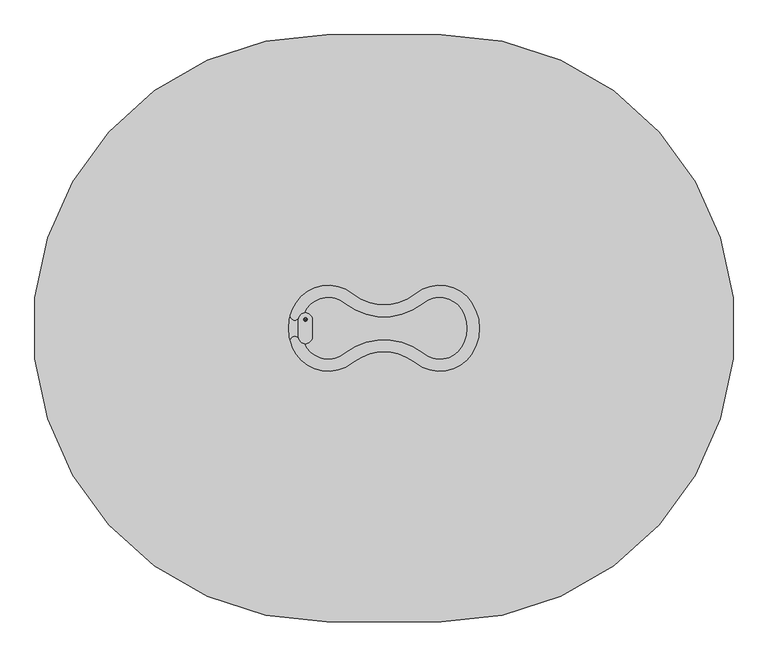
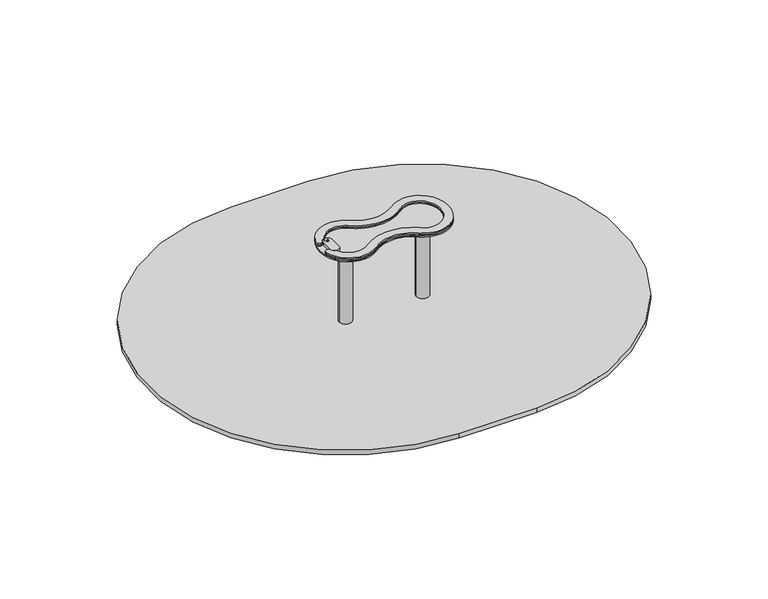
"""IFC4 building model written with IfcOpenShell, lengths in millimetres: furniture geometry."""

from ifc_helpers import new_model, si_unit, point, frame, frame_2d, origin, place, context, project, spatial, polyline, circle_curve, trimmed, segment, composite_curve, outline, extrude, source, transform, mapped, element, save
from ifc_brep_helpers import plane_surface, cylinder_surface, extruded_surface, spline_surface, advanced_brep


def furniture_c4320bb8(model_context):
    return source(origin(), model_context, "Body", "SolidModel", [
        extrude(outline(composite_curve([segment(trimmed(circle_curve(frame_2d((-335.0, 0.0)), 55.0), [point((-390.0, 0.0))], [point((-280.0, 0.0))], False, "CARTESIAN"), True, "CONTINUOUS"), segment(trimmed(circle_curve(frame_2d((-335.0, 0.0)), 55.0), [point((-280.0, 0.0))], [point((-390.0, 0.0))], False, "CARTESIAN"), True, "CONTINUOUS")], self_intersect=False)), frame((0.0, 0.0, -600.0), z_axis=(0.0, 0.0, 1.0), x_axis=(1.0, 0.0, 0.0)), (0.0, 0.0, 1.0), 500.0),
        advanced_brep(
        [(-245.0, 150.0, -600.0), (-185.0, 90.0, -600.0), (-185.0, -90.0, -600.0), (-245.0, -150.0, -600.0), (-425.0, -150.0, -600.0), (-485.0, -90.0, -600.0), (-485.0, 90.0, -600.0), (-425.0, 150.0, -600.0), (-425.0, 150.0, -460.0), (-245.0, 150.0, -460.0), (-485.0, -90.0, -460.0), (-485.0, 90.0, -460.0), (-245.0, -150.0, -460.0), (-425.0, -150.0, -460.0), (-185.0, 90.0, -460.0), (-185.0, -90.0, -460.0), (-347.2959549, 72.6989403, -250.0), (-407.2959549, 12.6989403, -250.0), (-407.2959549, -12.6989403, -250.0), (-347.2959549, -72.6989403, -250.0), (-322.7040451, -72.6989403, -250.0), (-262.7040451, -12.6989403, -250.0), (-262.7040451, 12.6989403, -250.0), (-322.7040451, 72.6989403, -250.0)],
        [
            (0, 1, circle_curve(frame((-245.0, 90.0, -600.0), z_axis=(0.0, 0.0, -1.0), x_axis=(1.0, 0.0, 0.0)), 60.0)),
            (1, 2),
            (2, 3, circle_curve(frame((-245.0, -90.0, -600.0), z_axis=(0.0, 0.0, -1.0), x_axis=(1.0, 0.0, 0.0)), 60.0)),
            (3, 4),
            (4, 5, circle_curve(frame((-425.0, -90.0, -600.0), z_axis=(0.0, 0.0, -1.0), x_axis=(1.0, 0.0, 0.0)), 60.0)),
            (5, 6),
            (6, 7, circle_curve(frame((-425.0, 90.0, -600.0), z_axis=(0.0, 0.0, -1.0), x_axis=(1.0, 0.0, 0.0)), 60.0)),
            (7, 0),
            (7, 8),
            (8, 9),
            (9, 0),
            (5, 10),
            (10, 11),
            (11, 6),
            (3, 12),
            (12, 13),
            (13, 4),
            (1, 14),
            (14, 15),
            (15, 2),
            (16, 17, circle_curve(frame((-347.2959549, 12.6989403, -250.0), z_axis=(0.0, 0.0, 1.0), x_axis=(1.0, 0.0, 0.0)), 60.0)),
            (17, 18),
            (18, 19, circle_curve(frame((-347.2959549, -12.6989403, -250.0), z_axis=(0.0, 0.0, 1.0), x_axis=(1.0, 0.0, 0.0)), 60.0)),
            (19, 20),
            (20, 21, circle_curve(frame((-322.7040451, -12.6989403, -250.0), z_axis=(0.0, 0.0, 1.0), x_axis=(1.0, 0.0, 0.0)), 60.0)),
            (21, 22),
            (22, 23, circle_curve(frame((-322.7040451, 12.6989403, -250.0), z_axis=(0.0, 0.0, 1.0), x_axis=(1.0, 0.0, 0.0)), 60.0)),
            (23, 16),
            (17, 11),
            (10, 18),
            (19, 13),
            (12, 20),
            (21, 15),
            (14, 22),
            (23, 9),
            (8, 16),
            (11, 8, circle_curve(frame((-425.0, 90.0, -460.0), z_axis=(0.0, 0.0, -1.0), x_axis=(1.0, 0.0, 0.0)), 60.0)),
            (13, 10, circle_curve(frame((-425.0, -90.0, -460.0), z_axis=(0.0, 0.0, -1.0), x_axis=(1.0, 0.0, 0.0)), 60.0)),
            (15, 12, circle_curve(frame((-245.0, -90.0, -460.0), z_axis=(0.0, 0.0, -1.0), x_axis=(1.0, 0.0, 0.0)), 60.0)),
            (9, 14, circle_curve(frame((-245.0, 90.0, -460.0), z_axis=(0.0, 0.0, -1.0), x_axis=(1.0, 0.0, 0.0)), 60.0)),
        ],
        [
            plane_surface(frame((-511.6329682, 150.0, -600.0), z_axis=(0.0, 0.0, -1.0), x_axis=(1.0, 0.0, 0.0))),
            plane_surface(frame((-245.0, 150.0, -460.0), z_axis=(0.0, 1.0, 0.0), x_axis=(0.0, 0.0, -1.0))),
            plane_surface(frame((-485.0, 90.0, -460.0), z_axis=(-1.0, 0.0, 0.0), x_axis=(0.0, 0.0, -1.0))),
            plane_surface(frame((-425.0, -150.0, -460.0), z_axis=(0.0, -1.0, 0.0), x_axis=(0.0, 0.0, -1.0))),
            plane_surface(frame((-185.0, -90.0, -460.0), z_axis=(1.0, 0.0, 0.0), x_axis=(0.0, 0.0, -1.0))),
            plane_surface(frame((-335.0, 0.0, -250.0), z_axis=(0.0, 0.0, 1.0), x_axis=(-1.0, 0.0, 0.0))),
            plane_surface(frame((-485.0, 0.0, -460.0), z_axis=(-0.9378559633153523, 0.0, 0.3470247715564883), x_axis=(0.0, -1.0, 0.0))),
            plane_surface(frame((-335.0, -150.0, -460.0), z_axis=(0.0, -0.9384407279810882, 0.3454402988452927), x_axis=(1.0, 0.0, 0.0))),
            plane_surface(frame((-185.0, 0.0, -460.0), z_axis=(0.9378559633153524, 0.0, 0.34702477155648764), x_axis=(0.0, 1.0, 0.0))),
            plane_surface(frame((-335.0, 150.0, -460.0), z_axis=(0.0, 0.9384407279810884, 0.3454402988452924), x_axis=(-1.0, 0.0, 0.0))),
            cylinder_surface(frame((-425.0, 90.0, -600.0), z_axis=(0.0, 0.0, 1.0), x_axis=(1.0, 0.0, 0.0)), 60.0),
            cylinder_surface(frame((-425.0, -90.0, -600.0), z_axis=(0.0, 0.0, 1.0), x_axis=(1.0, 0.0, 0.0)), 60.0),
            cylinder_surface(frame((-245.0, -90.0, -600.0), z_axis=(0.0, 0.0, 1.0), x_axis=(1.0, 0.0, 0.0)), 60.0),
            cylinder_surface(frame((-245.0, 90.0, -600.0), z_axis=(0.0, 0.0, 1.0), x_axis=(1.0, 0.0, 0.0)), 60.0),
            extruded_surface(trimmed(circle_curve(frame((-425.0, 90.0, -460.0), z_axis=(0.0, 0.0, 1.0), x_axis=(1.0, 0.0, 0.0)), 60.0), [point((-425.0, 150.0, -460.0))], [point((-485.0, 90.0, -460.0))], True, "CARTESIAN"), (77.70404509999997, -77.3010597, 210.0), 236.8826132404947),
            extruded_surface(trimmed(circle_curve(frame((-245.0, 90.0, -460.0), z_axis=(0.0, 0.0, 1.0), x_axis=(1.0, 0.0, 0.0)), 60.0), [point((-185.0, 90.0, -460.0))], [point((-245.0, 150.0, -460.0))], True, "CARTESIAN"), (-77.70404509999997, -77.3010597, 210.0), 236.8826132404947),
            extruded_surface(trimmed(circle_curve(frame((-425.0, -90.0, -460.0), z_axis=(0.0, 0.0, 1.0), x_axis=(1.0, 0.0, 0.0)), 60.0), [point((-485.0, -90.0, -460.0))], [point((-425.0, -150.0, -460.0))], True, "CARTESIAN"), (77.70404509999997, 77.3010597, 210.0), 236.8826132404947),
            extruded_surface(trimmed(circle_curve(frame((-245.0, -90.0, -460.0), z_axis=(0.0, 0.0, 1.0), x_axis=(1.0, 0.0, 0.0)), 60.0), [point((-245.0, -150.0, -460.0))], [point((-185.0, -90.0, -460.0))], True, "CARTESIAN"), (-77.70404509999997, 77.3010597, 210.0), 236.8826132404947),
        ],
        [
            (0, [[1, 2, 3, 4, 5, 6, 7, 8]]),
            (1, [[-8, 9, 10, 11]]),
            (2, [[-6, 12, 13, 14]]),
            (3, [[-4, 15, 16, 17]]),
            (4, [[-2, 18, 19, 20]]),
            (5, [[21, 22, 23, 24, 25, 26, 27, 28]]),
            (6, [[-22, 29, -13, 30]]),
            (7, [[-24, 31, -16, 32]]),
            (8, [[-26, 33, -19, 34]]),
            (9, [[-28, 35, -10, 36]]),
            (10, [[-7, -14, 37, -9]]),
            (11, [[-5, -17, 38, -12]]),
            (12, [[-3, -20, 39, -15]]),
            (13, [[-1, -11, 40, -18]]),
            (14, [[-21, -36, -37, -29]]),
            (15, [[-27, -34, -40, -35]]),
            (16, [[-23, -30, -38, -31]]),
            (17, [[-25, -32, -39, -33]]),
        ],
    ),
        extrude(outline(composite_curve([segment(trimmed(circle_curve(frame_2d((335.0, 0.0)), 55.0), [point((280.0, 0.0))], [point((390.0, 0.0))], False, "CARTESIAN"), True, "CONTINUOUS"), segment(trimmed(circle_curve(frame_2d((335.0, 0.0)), 55.0), [point((390.0, 0.0))], [point((280.0, 0.0))], False, "CARTESIAN"), True, "CONTINUOUS")], self_intersect=False)), frame((0.0, 0.0, -600.0), z_axis=(0.0, 0.0, 1.0), x_axis=(1.0, 0.0, 0.0)), (0.0, 0.0, 1.0), 500.0),
        advanced_brep(
        [(425.0, 150.0, -600.0), (485.0, 90.0, -600.0), (485.0, -90.0, -600.0), (425.0, -150.0, -600.0), (245.0, -150.0, -600.0), (185.0, -90.0, -600.0), (185.0, 90.0, -600.0), (245.0, 150.0, -600.0), (245.0, 150.0, -460.0), (425.0, 150.0, -460.0), (185.0, -90.0, -460.0), (185.0, 90.0, -460.0), (425.0, -150.0, -460.0), (245.0, -150.0, -460.0), (485.0, 90.0, -460.0), (485.0, -90.0, -460.0), (322.7040451, 72.6989403, -250.0), (262.7040451, 12.6989403, -250.0), (262.7040451, -12.6989403, -250.0), (322.7040451, -72.6989403, -250.0), (347.2959549, -72.6989403, -250.0), (407.2959549, -12.6989403, -250.0), (407.2959549, 12.6989403, -250.0), (347.2959549, 72.6989403, -250.0)],
        [
            (0, 1, circle_curve(frame((425.0, 90.0, -600.0), z_axis=(0.0, 0.0, -1.0), x_axis=(1.0, 0.0, 0.0)), 60.0)),
            (1, 2),
            (2, 3, circle_curve(frame((425.0, -90.0, -600.0), z_axis=(0.0, 0.0, -1.0), x_axis=(1.0, 0.0, 0.0)), 60.0)),
            (3, 4),
            (4, 5, circle_curve(frame((245.0, -90.0, -600.0), z_axis=(0.0, 0.0, -1.0), x_axis=(1.0, 0.0, 0.0)), 60.0)),
            (5, 6),
            (6, 7, circle_curve(frame((245.0, 90.0, -600.0), z_axis=(0.0, 0.0, -1.0), x_axis=(1.0, 0.0, 0.0)), 60.0)),
            (7, 0),
            (7, 8),
            (8, 9),
            (9, 0),
            (5, 10),
            (10, 11),
            (11, 6),
            (3, 12),
            (12, 13),
            (13, 4),
            (1, 14),
            (14, 15),
            (15, 2),
            (16, 17, circle_curve(frame((322.7040451, 12.6989403, -250.0), z_axis=(0.0, 0.0, 1.0), x_axis=(1.0, 0.0, 0.0)), 60.0)),
            (17, 18),
            (18, 19, circle_curve(frame((322.7040451, -12.6989403, -250.0), z_axis=(0.0, 0.0, 1.0), x_axis=(1.0, 0.0, 0.0)), 60.0)),
            (19, 20),
            (20, 21, circle_curve(frame((347.2959549, -12.6989403, -250.0), z_axis=(0.0, 0.0, 1.0), x_axis=(1.0, 0.0, 0.0)), 60.0)),
            (21, 22),
            (22, 23, circle_curve(frame((347.2959549, 12.6989403, -250.0), z_axis=(0.0, 0.0, 1.0), x_axis=(1.0, 0.0, 0.0)), 60.0)),
            (23, 16),
            (17, 11),
            (10, 18),
            (19, 13),
            (12, 20),
            (21, 15),
            (14, 22),
            (23, 9),
            (8, 16),
            (11, 8, circle_curve(frame((245.0, 90.0, -460.0), z_axis=(0.0, 0.0, -1.0), x_axis=(1.0, 0.0, 0.0)), 60.0)),
            (13, 10, circle_curve(frame((245.0, -90.0, -460.0), z_axis=(0.0, 0.0, -1.0), x_axis=(1.0, 0.0, 0.0)), 60.0)),
            (15, 12, circle_curve(frame((425.0, -90.0, -460.0), z_axis=(0.0, 0.0, -1.0), x_axis=(1.0, 0.0, 0.0)), 60.0)),
            (9, 14, circle_curve(frame((425.0, 90.0, -460.0), z_axis=(0.0, 0.0, -1.0), x_axis=(1.0, 0.0, 0.0)), 60.0)),
        ],
        [
            plane_surface(frame((158.3670318, 150.0, -600.0), z_axis=(0.0, 0.0, -1.0), x_axis=(1.0, 0.0, 0.0))),
            plane_surface(frame((425.0, 150.0, -460.0), z_axis=(0.0, 1.0, 0.0), x_axis=(0.0, 0.0, -1.0))),
            plane_surface(frame((185.0, 90.0, -460.0), z_axis=(-1.0, 0.0, 0.0), x_axis=(0.0, 0.0, -1.0))),
            plane_surface(frame((245.0, -150.0, -460.0), z_axis=(0.0, -1.0, 0.0), x_axis=(0.0, 0.0, -1.0))),
            plane_surface(frame((485.0, -90.0, -460.0), z_axis=(1.0, 0.0, 0.0), x_axis=(0.0, 0.0, -1.0))),
            plane_surface(frame((335.0, 0.0, -250.0), z_axis=(0.0, 0.0, 1.0), x_axis=(-1.0, 0.0, 0.0))),
            plane_surface(frame((185.0, 0.0, -460.0), z_axis=(-0.9378559633153523, 0.0, 0.3470247715564883), x_axis=(0.0, -1.0, 0.0))),
            plane_surface(frame((335.0, -150.0, -460.0), z_axis=(0.0, -0.9384407279810882, 0.3454402988452927), x_axis=(1.0, 0.0, 0.0))),
            plane_surface(frame((485.0, 0.0, -460.0), z_axis=(0.9378559633153524, 0.0, 0.34702477155648764), x_axis=(0.0, 1.0, 0.0))),
            plane_surface(frame((335.0, 150.0, -460.0), z_axis=(0.0, 0.9384407279810884, 0.3454402988452924), x_axis=(-1.0, 0.0, 0.0))),
            cylinder_surface(frame((245.0, 90.0, -600.0), z_axis=(0.0, 0.0, 1.0), x_axis=(1.0, 0.0, 0.0)), 60.0),
            cylinder_surface(frame((245.0, -90.0, -600.0), z_axis=(0.0, 0.0, 1.0), x_axis=(1.0, 0.0, 0.0)), 60.0),
            cylinder_surface(frame((425.0, -90.0, -600.0), z_axis=(0.0, 0.0, 1.0), x_axis=(1.0, 0.0, 0.0)), 60.0),
            cylinder_surface(frame((425.0, 90.0, -600.0), z_axis=(0.0, 0.0, 1.0), x_axis=(1.0, 0.0, 0.0)), 60.0),
            extruded_surface(trimmed(circle_curve(frame((245.0, 90.0, -460.0), z_axis=(0.0, 0.0, 1.0), x_axis=(1.0, 0.0, 0.0)), 60.0), [point((245.0, 150.0, -460.0))], [point((185.0, 90.0, -460.0))], True, "CARTESIAN"), (77.70404509999997, -77.3010597, 210.0), 236.8826132404947),
            extruded_surface(trimmed(circle_curve(frame((425.0, 90.0, -460.0), z_axis=(0.0, 0.0, 1.0), x_axis=(1.0, 0.0, 0.0)), 60.0), [point((485.0, 90.0, -460.0))], [point((425.0, 150.0, -460.0))], True, "CARTESIAN"), (-77.70404509999997, -77.3010597, 210.0), 236.8826132404947),
            extruded_surface(trimmed(circle_curve(frame((245.0, -90.0, -460.0), z_axis=(0.0, 0.0, 1.0), x_axis=(1.0, 0.0, 0.0)), 60.0), [point((185.0, -90.0, -460.0))], [point((245.0, -150.0, -460.0))], True, "CARTESIAN"), (77.70404509999997, 77.3010597, 210.0), 236.8826132404947),
            extruded_surface(trimmed(circle_curve(frame((425.0, -90.0, -460.0), z_axis=(0.0, 0.0, 1.0), x_axis=(1.0, 0.0, 0.0)), 60.0), [point((425.0, -150.0, -460.0))], [point((485.0, -90.0, -460.0))], True, "CARTESIAN"), (-77.70404509999997, 77.3010597, 210.0), 236.8826132404947),
        ],
        [
            (0, [[1, 2, 3, 4, 5, 6, 7, 8]]),
            (1, [[-8, 9, 10, 11]]),
            (2, [[-6, 12, 13, 14]]),
            (3, [[-4, 15, 16, 17]]),
            (4, [[-2, 18, 19, 20]]),
            (5, [[21, 22, 23, 24, 25, 26, 27, 28]]),
            (6, [[-22, 29, -13, 30]]),
            (7, [[-24, 31, -16, 32]]),
            (8, [[-26, 33, -19, 34]]),
            (9, [[-28, 35, -10, 36]]),
            (10, [[-7, -14, 37, -9]]),
            (11, [[-5, -17, 38, -12]]),
            (12, [[-3, -20, 39, -15]]),
            (13, [[-1, -11, 40, -18]]),
            (14, [[-21, -36, -37, -29]]),
            (15, [[-27, -34, -40, -35]]),
            (16, [[-23, -30, -38, -31]]),
            (17, [[-25, -32, -39, -33]]),
        ],
    ),
        extrude(outline(composite_curve([segment(trimmed(circle_curve(frame_2d((-335.0, 0.0)), 1715.0), [point((-335.0, -1715.0))], [point((-335.0, 1715.0))], False, "CARTESIAN"), True, "CONTINUOUS"), segment(polyline([(-335.0, 1715.0), (335.0, 1715.0)]), True, "CONTINUOUS"), segment(trimmed(circle_curve(frame_2d((335.0, 0.0)), 1715.0), [point((335.0, 1715.0))], [point((335.0, -1715.0))], False, "CARTESIAN"), True, "CONTINUOUS"), segment(polyline([(335.0, -1715.0), (-335.0, -1715.0)]), True, "CONTINUOUS")], self_intersect=False)), frame((0.0, 0.0, -40.0), z_axis=(0.0, 0.0, 1.0), x_axis=(1.0, 0.0, 0.0)), (0.0, 0.0, 1.0), 41.0),
        extrude(outline(composite_curve([segment(trimmed(circle_curve(frame_2d((-335.0, 0.0)), 55.0), [point((-390.0, 0.0))], [point((-280.0, 0.0))], False, "CARTESIAN"), True, "CONTINUOUS"), segment(trimmed(circle_curve(frame_2d((-335.0, 0.0)), 55.0), [point((-280.0, 0.0))], [point((-390.0, 0.0))], False, "CARTESIAN"), True, "CONTINUOUS")], self_intersect=False)), frame((0.0, 0.0, -100.0), z_axis=(0.0, 0.0, 1.0), x_axis=(1.0, 0.0, 0.0)), (0.0, 0.0, 1.0), 805.0),
        extrude(outline(composite_curve([segment(trimmed(circle_curve(frame_2d((335.0, 0.0)), 55.0), [point((280.0, 0.0))], [point((390.0, 0.0))], False, "CARTESIAN"), True, "CONTINUOUS"), segment(trimmed(circle_curve(frame_2d((335.0, 0.0)), 55.0), [point((390.0, 0.0))], [point((280.0, 0.0))], False, "CARTESIAN"), True, "CONTINUOUS")], self_intersect=False)), frame((0.0, 0.0, -100.0), z_axis=(0.0, 0.0, 1.0), x_axis=(1.0, 0.0, 0.0)), (0.0, 0.0, 1.0), 805.0),
        extrude(outline(composite_curve([segment(trimmed(circle_curve(frame_2d((-522.2626834, 72.555258)), 24.8158083), [point((-499.1899326, 63.4189289))], [point((-546.5801523, 77.5034943))], False, "CARTESIAN"), True, "CONTINUOUS"), segment(trimmed(circle_curve(frame_2d((-285.8047916, 0.0)), 272.0488567), [point((-546.5801523, 77.5034943))], [point((-512.5021062, 150.3958376))], False, "CARTESIAN"), True, "CONTINUOUS"), segment(trimmed(circle_curve(frame_2d((-325.0441842, 26.0322507)), 224.9594947), [point((-512.5021062, 150.3958376))], [point((-184.6149185, 201.7775083))], False, "CARTESIAN"), True, "CONTINUOUS"), segment(trimmed(circle_curve(frame_2d((0.0, 432.820491)), 295.7423337), [point((-184.6149185, 201.7775083))], [point((184.6149185, 201.7775083))], True, "CARTESIAN"), True, "CONTINUOUS"), segment(trimmed(circle_curve(frame_2d((325.0441842, 26.0322507)), 224.9594947), [point((184.6149185, 201.7775083))], [point((512.5021062, 150.3958376))], False, "CARTESIAN"), True, "CONTINUOUS"), segment(trimmed(circle_curve(frame_2d((285.8047916, 0.0)), 272.0488567), [point((512.5021062, 150.3958376))], [point((512.5021062, -150.3958376))], False, "CARTESIAN"), True, "CONTINUOUS"), segment(trimmed(circle_curve(frame_2d((325.0441842, -26.0322507)), 224.9594947), [point((512.5021062, -150.3958376))], [point((184.6149185, -201.7775083))], False, "CARTESIAN"), True, "CONTINUOUS"), segment(trimmed(circle_curve(frame_2d((0.0, -432.820491)), 295.7423337), [point((184.6149185, -201.7775083))], [point((-184.6149185, -201.7775083))], True, "CARTESIAN"), True, "CONTINUOUS"), segment(trimmed(circle_curve(frame_2d((-325.0441842, -26.0322507)), 224.9594947), [point((-184.6149185, -201.7775083))], [point((-512.5021062, -150.3958376))], False, "CARTESIAN"), True, "CONTINUOUS"), segment(trimmed(circle_curve(frame_2d((-285.8047916, 0.0)), 272.0488567), [point((-512.5021062, -150.3958376))], [point((-546.4554931, -77.9217057))], False, "CARTESIAN"), True, "CONTINUOUS"), segment(trimmed(circle_curve(frame_2d((-522.2463318, -72.5487831)), 24.7982214), [point((-546.4554931, -77.9217057))], [point((-499.1899326, -63.4189289))], False, "CARTESIAN"), True, "CONTINUOUS"), segment(trimmed(circle_curve(frame_2d((-459.4332944, -47.6761276)), 42.7600991), [point((-499.1899326, -63.4189289))], [point((-466.2333067, -89.8920713))], True, "CARTESIAN"), True, "CONTINUOUS"), segment(trimmed(circle_curve(frame_2d((-325.0441842, -26.0322507)), 154.9594947), [point((-466.2333067, -89.8920713))], [point((-228.3118898, -147.0913611))], True, "CARTESIAN"), True, "CONTINUOUS"), segment(trimmed(circle_curve(frame_2d((0.0, -432.820491)), 365.7423337), [point((-228.3118898, -147.0913611))], [point((228.3118898, -147.0913611))], False, "CARTESIAN"), True, "CONTINUOUS"), segment(trimmed(circle_curve(frame_2d((325.0441842, -26.0322507)), 154.9594947), [point((228.3118898, -147.0913611))], [point((454.1713629, -111.6979773))], True, "CARTESIAN"), True, "CONTINUOUS"), segment(trimmed(circle_curve(frame_2d((285.8047916, 0.0)), 202.0488567), [point((454.1713629, -111.6979773))], [point((454.1713629, 111.6979773))], True, "CARTESIAN"), True, "CONTINUOUS"), segment(trimmed(circle_curve(frame_2d((325.0441842, 26.0322507)), 154.9594947), [point((454.1713629, 111.6979773))], [point((228.3118898, 147.0913611))], True, "CARTESIAN"), True, "CONTINUOUS"), segment(trimmed(circle_curve(frame_2d((0.0, 432.820491)), 365.7423337), [point((228.3118898, 147.0913611))], [point((-228.3118898, 147.0913611))], False, "CARTESIAN"), True, "CONTINUOUS"), segment(trimmed(circle_curve(frame_2d((-325.0441842, 26.0322507)), 154.9594947), [point((-228.3118898, 147.0913611))], [point((-466.2333067, 89.8920713))], True, "CARTESIAN"), True, "CONTINUOUS"), segment(trimmed(circle_curve(frame_2d((-459.4332944, 47.6761276)), 42.7600991), [point((-466.2333067, 89.8920713))], [point((-499.1899326, 63.4189289))], True, "CARTESIAN"), True, "CONTINUOUS")], self_intersect=False)), frame((0.0, 0.0, 729.0), z_axis=(0.0, 0.0, 1.0), x_axis=(1.0, 0.0, 0.0)), (0.0, 0.0, 1.0), 12.0),
        extrude(outline(composite_curve([segment(trimmed(circle_curve(frame_2d((-460.0, 50.0)), 40.0), [point((-500.0, 50.0))], [point((-420.0, 50.0))], False, "CARTESIAN"), True, "CONTINUOUS"), segment(polyline([(-420.0, 50.0), (-420.0, -50.0)]), True, "CONTINUOUS"), segment(trimmed(circle_curve(frame_2d((-460.0, -50.0)), 40.0), [point((-420.0, -50.0))], [point((-500.0, -50.0))], False, "CARTESIAN"), True, "CONTINUOUS"), segment(polyline([(-500.0, -50.0), (-500.0, 50.0)]), True, "CONTINUOUS")], self_intersect=False)), frame((0.0, 0.0, 717.0), z_axis=(0.0, 0.0, 1.0), x_axis=(1.0, 0.0, 0.0)), (0.0, 0.0, 1.0), 24.0),
        extrude(outline(composite_curve([segment(trimmed(circle_curve(frame_2d((-522.2626834, 72.555258)), 24.8158083), [point((-499.1899326, 63.4189289))], [point((-546.5801523, 77.5034943))], False, "CARTESIAN"), True, "CONTINUOUS"), segment(trimmed(circle_curve(frame_2d((-285.8047916, 0.0)), 272.0488567), [point((-546.5801523, 77.5034943))], [point((-512.5021062, 150.3958376))], False, "CARTESIAN"), True, "CONTINUOUS"), segment(trimmed(circle_curve(frame_2d((-325.0441842, 26.0322507)), 224.9594947), [point((-512.5021062, 150.3958376))], [point((-184.6149185, 201.7775083))], False, "CARTESIAN"), True, "CONTINUOUS"), segment(trimmed(circle_curve(frame_2d((0.0, 432.820491)), 295.7423337), [point((-184.6149185, 201.7775083))], [point((184.6149185, 201.7775083))], True, "CARTESIAN"), True, "CONTINUOUS"), segment(trimmed(circle_curve(frame_2d((325.0441842, 26.0322507)), 224.9594947), [point((184.6149185, 201.7775083))], [point((512.5021062, 150.3958376))], False, "CARTESIAN"), True, "CONTINUOUS"), segment(trimmed(circle_curve(frame_2d((285.8047916, 0.0)), 272.0488567), [point((512.5021062, 150.3958376))], [point((512.5021062, -150.3958376))], False, "CARTESIAN"), True, "CONTINUOUS"), segment(trimmed(circle_curve(frame_2d((325.0441842, -26.0322507)), 224.9594947), [point((512.5021062, -150.3958376))], [point((184.6149185, -201.7775083))], False, "CARTESIAN"), True, "CONTINUOUS"), segment(trimmed(circle_curve(frame_2d((0.0, -432.820491)), 295.7423337), [point((184.6149185, -201.7775083))], [point((-184.6149185, -201.7775083))], True, "CARTESIAN"), True, "CONTINUOUS"), segment(trimmed(circle_curve(frame_2d((-325.0441842, -26.0322507)), 224.9594947), [point((-184.6149185, -201.7775083))], [point((-512.5021062, -150.3958376))], False, "CARTESIAN"), True, "CONTINUOUS"), segment(trimmed(circle_curve(frame_2d((-285.8047916, 0.0)), 272.0488567), [point((-512.5021062, -150.3958376))], [point((-546.4554931, -77.9217057))], False, "CARTESIAN"), True, "CONTINUOUS"), segment(trimmed(circle_curve(frame_2d((-522.2463318, -72.5487831)), 24.7982214), [point((-546.4554931, -77.9217057))], [point((-499.1899326, -63.4189289))], False, "CARTESIAN"), True, "CONTINUOUS"), segment(trimmed(circle_curve(frame_2d((-459.4332944, -47.6761276)), 42.7600991), [point((-499.1899326, -63.4189289))], [point((-466.2333067, -89.8920713))], True, "CARTESIAN"), True, "CONTINUOUS"), segment(trimmed(circle_curve(frame_2d((-325.0441842, -26.0322507)), 154.9594947), [point((-466.2333067, -89.8920713))], [point((-228.3118898, -147.0913611))], True, "CARTESIAN"), True, "CONTINUOUS"), segment(trimmed(circle_curve(frame_2d((0.0, -432.820491)), 365.7423337), [point((-228.3118898, -147.0913611))], [point((228.3118898, -147.0913611))], False, "CARTESIAN"), True, "CONTINUOUS"), segment(trimmed(circle_curve(frame_2d((325.0441842, -26.0322507)), 154.9594947), [point((228.3118898, -147.0913611))], [point((454.1713629, -111.6979773))], True, "CARTESIAN"), True, "CONTINUOUS"), segment(trimmed(circle_curve(frame_2d((285.8047916, 0.0)), 202.0488567), [point((454.1713629, -111.6979773))], [point((454.1713629, 111.6979773))], True, "CARTESIAN"), True, "CONTINUOUS"), segment(trimmed(circle_curve(frame_2d((325.0441842, 26.0322507)), 154.9594947), [point((454.1713629, 111.6979773))], [point((228.3118898, 147.0913611))], True, "CARTESIAN"), True, "CONTINUOUS"), segment(trimmed(circle_curve(frame_2d((0.0, 432.820491)), 365.7423337), [point((228.3118898, 147.0913611))], [point((-228.3118898, 147.0913611))], False, "CARTESIAN"), True, "CONTINUOUS"), segment(trimmed(circle_curve(frame_2d((-325.0441842, 26.0322507)), 154.9594947), [point((-228.3118898, 147.0913611))], [point((-466.2333067, 89.8920713))], True, "CARTESIAN"), True, "CONTINUOUS"), segment(trimmed(circle_curve(frame_2d((-459.4332944, 47.6761276)), 42.7600991), [point((-466.2333067, 89.8920713))], [point((-499.1899326, 63.4189289))], True, "CARTESIAN"), True, "CONTINUOUS")], self_intersect=False)), frame((0.0, 0.0, 717.0), z_axis=(0.0, 0.0, 1.0), x_axis=(1.0, 0.0, 0.0)), (0.0, 0.0, 1.0), 12.0),
        extrude(outline(composite_curve([segment(trimmed(circle_curve(frame_2d((325.0441842, 26.0322507)), 224.9594947), [point((184.6149185, 201.7775083))], [point((512.5021062, 150.3958376))], False, "CARTESIAN"), True, "CONTINUOUS"), segment(trimmed(circle_curve(frame_2d((285.8047916, 0.0)), 272.0488567), [point((512.5021062, 150.3958376))], [point((512.5021062, -150.3958376))], False, "CARTESIAN"), True, "CONTINUOUS"), segment(trimmed(circle_curve(frame_2d((325.0441842, -26.0322507)), 224.9594947), [point((512.5021062, -150.3958376))], [point((184.6149185, -201.7775083))], False, "CARTESIAN"), True, "CONTINUOUS"), segment(trimmed(circle_curve(frame_2d((0.0, -432.820491)), 295.7423337), [point((184.6149185, -201.7775083))], [point((-184.6149185, -201.7775083))], True, "CARTESIAN"), True, "CONTINUOUS"), segment(trimmed(circle_curve(frame_2d((-325.0441842, -26.0322507)), 224.9594947), [point((-184.6149185, -201.7775083))], [point((-512.5021062, -150.3958376))], False, "CARTESIAN"), True, "CONTINUOUS"), segment(trimmed(circle_curve(frame_2d((-285.8047916, 0.0)), 272.0488567), [point((-512.5021062, -150.3958376))], [point((-512.5021062, 150.3958376))], False, "CARTESIAN"), True, "CONTINUOUS"), segment(trimmed(circle_curve(frame_2d((-325.0441842, 26.0322507)), 224.9594947), [point((-512.5021062, 150.3958376))], [point((-184.6149185, 201.7775083))], False, "CARTESIAN"), True, "CONTINUOUS"), segment(trimmed(circle_curve(frame_2d((0.0, 432.820491)), 295.7423337), [point((-184.6149185, 201.7775083))], [point((184.6149185, 201.7775083))], True, "CARTESIAN"), True, "CONTINUOUS")], self_intersect=False)), frame((0.0, 0.0, 705.0), z_axis=(0.0, 0.0, 1.0), x_axis=(1.0, 0.0, 0.0)), (0.0, 0.0, 1.0), 12.0),
        advanced_brep(
        [(-464.5843028, 51.8642808, 749.0), (-454.5843028, 51.8642808, 749.0), (-471.7518183, 51.8642808, 741.0), (-447.7518183, 51.8642808, 741.0)],
        [
            (0, 1, circle_curve(frame((-459.5843028, 51.8642808, 749.0), z_axis=(0.0, 0.0, 1.0), x_axis=(1.0, 0.0, 0.0)), 5.0)),
            (1, 0, circle_curve(frame((-459.5843028, 51.8642808, 749.0), z_axis=(0.0, 0.0, 1.0), x_axis=(1.0, 0.0, 0.0)), 5.0)),
            (2, 3, circle_curve(frame((-459.7518183, 51.8642808, 741.0), z_axis=(0.0, 0.0, -1.0), x_axis=(1.0, 0.0, 0.0)), 12.0)),
            (3, 2, circle_curve(frame((-459.7518183, 51.8642808, 741.0), z_axis=(0.0, 0.0, -1.0), x_axis=(1.0, 0.0, 0.0)), 12.0)),
            (3, 1),
            (0, 2),
        ],
        [
            plane_surface(frame((-459.5843028, 51.8642808, 749.0), z_axis=(0.0, 0.0, 1.0), x_axis=(0.0, -1.0, 0.0))),
            plane_surface(frame((-459.7518183, 51.8642808, 741.0), z_axis=(0.0, 0.0, -1.0), x_axis=(0.0, -1.0, 0.0))),
            spline_surface(2, 1, [[(-471.7518183, 51.8642808, 741.0), (-464.5843028, 51.8642808, 749.0)], [(-471.7518183, 39.8642808, 741.0), (-464.5843028, 46.8642808, 749.0)], [(-459.7518183, 39.8642808, 741.0), (-459.5843028, 46.8642808, 749.0)], [(-447.7518183, 39.8642808, 741.0), (-454.5843028, 46.8642808, 749.0)], [(-447.7518183, 51.8642808, 741.0), (-454.5843028, 51.8642808, 749.0)]], [3, 2, 3], [2, 2], [0.0, 1.0, 2.0], [0.0, 1.0], weights=[[1.0, 1.0], [0.7071067811865476, 0.7071067811865476], [1.0, 1.0], [0.7071067811865476, 0.7071067811865476], [1.0, 1.0]]),
            spline_surface(2, 1, [[(-447.7518183, 51.8642808, 741.0), (-454.5843028, 51.8642808, 749.0)], [(-447.7518183, 63.8642808, 741.0), (-454.5843028, 56.8642808, 749.0)], [(-459.7518183, 63.8642808, 741.0), (-459.5843028, 56.8642808, 749.0)], [(-471.7518183, 63.8642808, 741.0), (-464.5843028, 56.8642808, 749.0)], [(-471.7518183, 51.8642808, 741.0), (-464.5843028, 51.8642808, 749.0)]], [3, 2, 3], [2, 2], [0.0, 1.0, 2.0], [0.0, 1.0], weights=[[1.0, 1.0], [0.7071067811865476, 0.7071067811865476], [1.0, 1.0], [0.7071067811865476, 0.7071067811865476], [1.0, 1.0]]),
        ],
        [
            (0, [[1, 2]]),
            (1, [[3, 4]]),
            (2, [[-4, 5, -1, 6]]),
            (3, [[-3, -6, -2, -5]]),
        ],
    ),
    ])


if __name__ == "__main__":
    model = new_model("IFC4")
    model_context = context("Model", 3, world=origin())
    ifc_project = project(units=[si_unit("LENGTHUNIT", "METRE", prefix="MILLI")], contexts=[model_context])
    site = spatial("IfcSite", under=ifc_project)
    building = spatial("IfcBuilding", under=site)
    placement = place(None, origin())
    furniture_shape = furniture_c4320bb8(model_context)
    element("IfcFurniture", 1, at=placement, inside=building, context=model_context, shape_type="MappedRepresentation", body=[
        mapped(furniture_shape, transform((0.0, 0.0, 0.0), x_axis=(1.0, 0.0, 0.0), y_axis=(0.0, 1.0, 0.0), z_axis=(0.0, 0.0, 1.0))),
    ])
    save(model, "model.ifc")
